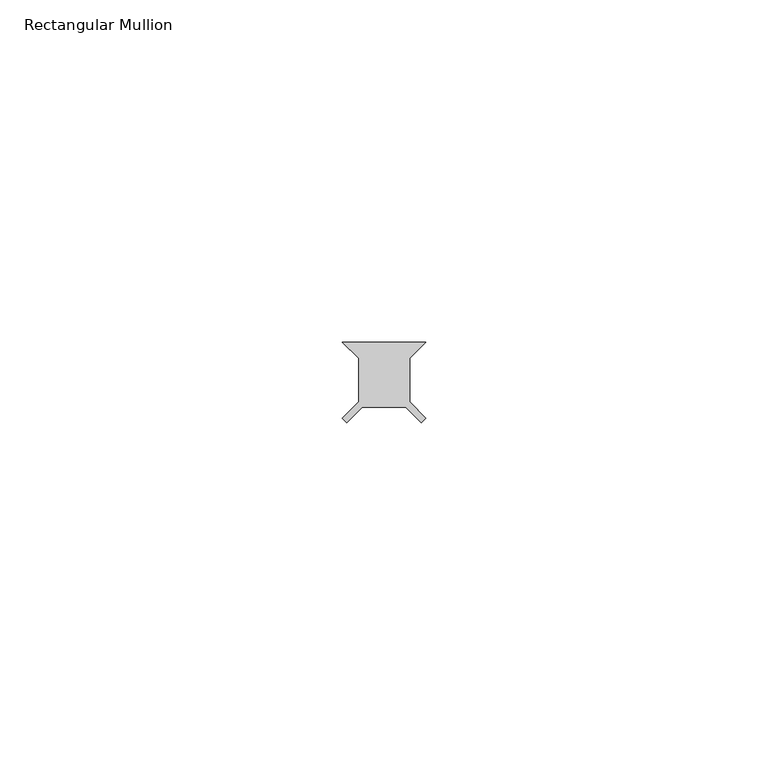
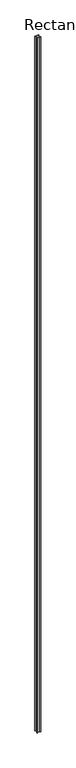
"""IFC4 building model written with IfcOpenShell, lengths in millimetres: member geometry, Rectangular Mullion."""

from ifc_helpers import new_model, si_unit, frame, origin, place, context, project, spatial, polyline, outline, extrude, source, transform, mapped, element, save


def rectangular_mullion_79fa8d3a(model_context):
    return source(origin(), model_context, "Body", "SweptSolid", [
        extrude(outline(polyline([(-3.736266, 33.3375), (-6.117516, 35.71875), (6.117516, 35.71875), (3.736266, 33.3375), (3.736266, 26.9875), (6.117516, 24.60625), (5.440008, 23.928742), (3.175, 26.19375), (-3.175, 26.19375), (-5.4822471, 23.8865029), (-6.1597551, 24.5640109), (-3.736266, 26.9875), (-3.736266, 33.3375)])), frame((0.0, 0.0, -2359.025), z_axis=(0.0, 0.0, 1.0), x_axis=(1.0, 0.0, 0.0)), (0.0, 0.0, 1.0), 2359.025),
    ])


if __name__ == "__main__":
    model = new_model("IFC4")
    model_context = context("Model", 3, world=origin())
    ifc_project = project(units=[si_unit("LENGTHUNIT", "METRE", prefix="MILLI")], contexts=[model_context])
    site = spatial("IfcSite", under=ifc_project)
    building = spatial("IfcBuilding", under=site)
    placement = place(None, origin())
    rectangular_mullion_shape = rectangular_mullion_79fa8d3a(model_context)
    element("IfcMember", 1, ObjectType="Rectangular Mullion", at=placement, inside=building, context=model_context, shape_type="MappedRepresentation", body=[
        mapped(rectangular_mullion_shape, transform((0.0, 0.0, 0.0), x_axis=(1.0, 0.0, 0.0), y_axis=(0.0, 1.0, 0.0), z_axis=(0.0, 0.0, 1.0))),
    ])
    save(model, "model.ifc")
